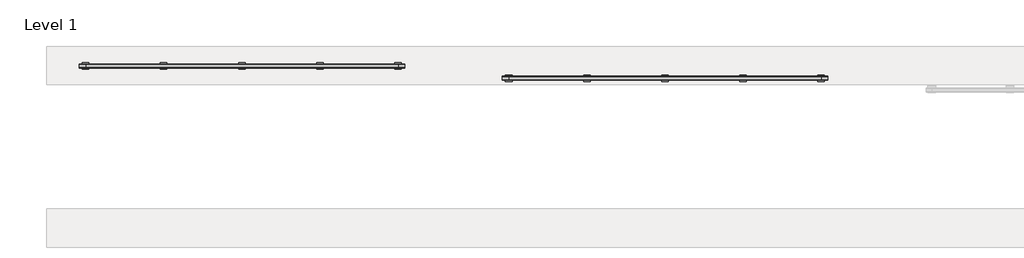
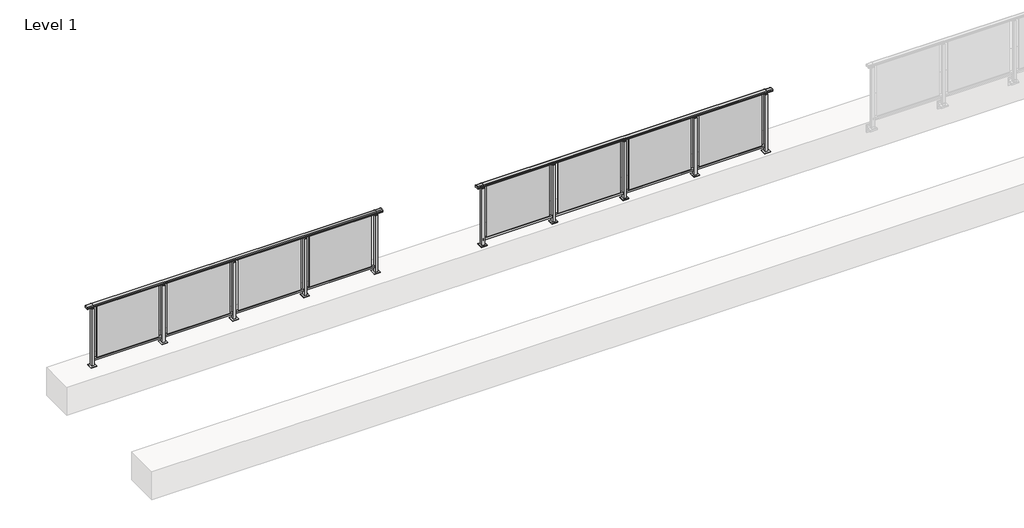
# One storey, part 45 of 64: 2 railings.
"""IFC4 building model written with IfcOpenShell, lengths in millimetres."""

from ifc_helpers import new_model, si_unit, frame, origin, origin_with_axes, place, context, project, spatial, polyline, circle_curve, outline, extrude, element, save
from ifc_brep_helpers import plane_surface, cylinder_surface, revolved_surface, advanced_brep

model = new_model("IFC4")

# Units and contexts
model_context = context("Model", 3, world=origin())
ifc_project = project(units=[si_unit("LENGTHUNIT", "METRE", prefix="MILLI")], contexts=[model_context])

# Site, building, storey
site = spatial("IfcSite", under=ifc_project)
building = spatial("IfcBuilding", under=site)
storey = spatial("IfcBuildingStorey", under=building, Name="Level 1", Elevation=0.0)

# Railings
placement = place(None, origin())
element("IfcRailing", 1, at=placement, inside=storey, context=model_context, shape_type="SolidModel", body=[
    advanced_brep(
    [(29900.0, 17715.3633756, 1095.6691182), (29900.0, 17720.1846828, 1081.1334092), (29900.0, 17719.2413744, 1069.2539035), (29900.0, 17721.1364177, 1061.4863007), (29900.0, 17719.4894799, 1060.384124), (29900.0, 17719.4894799, 1062.0), (29900.0, 17660.8798858, 1062.0), (29900.0, 17660.8798858, 1060.384124), (29900.0, 17659.232948, 1061.4863007), (29900.0, 17661.1279912, 1069.2539035), (29900.0, 17660.1846828, 1081.1334092), (29900.0, 17665.00599, 1095.6691182), (34900.0, 17715.3633756, 1095.6691182), (34900.0, 17665.00599, 1095.6691182), (34900.0, 17660.1846828, 1081.1334092), (34900.0, 17661.1279912, 1069.2539035), (34900.0, 17659.232948, 1061.4863007), (34900.0, 17660.8798858, 1060.384124), (34900.0, 17660.8798858, 1062.0), (34900.0, 17719.4894799, 1062.0), (34900.0, 17719.4894799, 1060.384124), (34900.0, 17721.1364177, 1061.4863007), (34900.0, 17719.2413744, 1069.2539035), (34900.0, 17720.1846828, 1081.1334092), (30000.0, 17715.3633756, 1095.6691182), (30000.0, 17720.1846828, 1081.1334092), (30000.0, 17719.2413744, 1069.2539035), (30000.0, 17721.1364177, 1061.4863007), (30000.0, 17719.4894799, 1060.384124), (30000.0, 17719.4894799, 1062.0), (30000.0, 17660.8798858, 1062.0), (30000.0, 17660.8798858, 1060.384124), (30000.0, 17659.232948, 1061.4863007), (30000.0, 17661.1279912, 1069.2539035), (30000.0, 17660.1846828, 1081.1334092), (30000.0, 17665.00599, 1095.6691182), (34800.0, 17715.3633756, 1095.6691182), (34800.0, 17720.1846828, 1081.1334092), (34800.0, 17719.2413744, 1069.2539035), (34800.0, 17721.1364177, 1061.4863007), (34800.0, 17719.4894799, 1060.384124), (34800.0, 17719.4894799, 1062.0), (34800.0, 17660.8798858, 1062.0), (34800.0, 17660.8798858, 1060.384124), (34800.0, 17659.232948, 1061.4863007), (34800.0, 17661.1279912, 1069.2539035), (34800.0, 17660.1846828, 1081.1334092), (34800.0, 17665.00599, 1095.6691182)],
    [
        (0, 1, circle_curve(frame((29900.0, 17712.1223845, 1086.526686), z_axis=(-1.0, 0.0, 0.0), x_axis=(0.0, -1.0, 0.0)), 9.6999015)),
        (1, 2, circle_curve(frame((29900.0, 17737.7252545, 1073.7633709), z_axis=(1.0, 0.0, 0.0), x_axis=(0.0, -1.0, 0.0)), 19.0260117)),
        (2, 3),
        (3, 4, circle_curve(frame((29900.0, 17720.2772073, 1060.9886194), z_axis=(-1.0, 0.0, 0.0), x_axis=(0.0, -1.0, 0.0)), 0.9929396)),
        (4, 5),
        (5, 6),
        (6, 7),
        (7, 8, circle_curve(frame((29900.0, 17660.0921584, 1060.9886194), z_axis=(-1.0, 0.0, 0.0), x_axis=(0.0, 1.0, 0.0)), 0.9929396)),
        (8, 9),
        (9, 10, circle_curve(frame((29900.0, 17642.6441111, 1073.7633709), z_axis=(1.0, 0.0, 0.0), x_axis=(0.0, 1.0, 0.0)), 19.0260117)),
        (10, 11, circle_curve(frame((29900.0, 17668.2469812, 1086.526686), z_axis=(-1.0, 0.0, 0.0), x_axis=(0.0, 1.0, 0.0)), 9.6999015)),
        (11, 0, circle_curve(frame((29900.0, 17690.1846828, 1024.6431628), z_axis=(-1.0, 0.0, 0.0), x_axis=(0.0, 1.0, 0.0)), 75.3568372)),
        (12, 13, circle_curve(frame((34900.0, 17690.1846828, 1024.6431628), z_axis=(1.0, 0.0, 0.0), x_axis=(0.0, 1.0, 0.0)), 75.3568372)),
        (13, 14, circle_curve(frame((34900.0, 17668.2469812, 1086.526686), z_axis=(1.0, 0.0, 0.0), x_axis=(0.0, 1.0, 0.0)), 9.6999015)),
        (14, 15, circle_curve(frame((34900.0, 17642.6441111, 1073.7633709), z_axis=(-1.0, 0.0, 0.0), x_axis=(0.0, 1.0, 0.0)), 19.0260117)),
        (15, 16),
        (16, 17, circle_curve(frame((34900.0, 17660.0921584, 1060.9886194), z_axis=(1.0, 0.0, 0.0), x_axis=(0.0, 1.0, 0.0)), 0.9929396)),
        (17, 18),
        (18, 19),
        (19, 20),
        (20, 21, circle_curve(frame((34900.0, 17720.2772073, 1060.9886194), z_axis=(1.0, 0.0, 0.0), x_axis=(0.0, -1.0, 0.0)), 0.9929396)),
        (21, 22),
        (22, 23, circle_curve(frame((34900.0, 17737.7252545, 1073.7633709), z_axis=(-1.0, 0.0, 0.0), x_axis=(0.0, -1.0, 0.0)), 19.0260117)),
        (23, 12, circle_curve(frame((34900.0, 17712.1223845, 1086.526686), z_axis=(1.0, 0.0, 0.0), x_axis=(0.0, -1.0, 0.0)), 9.6999015)),
        (0, 24),
        (24, 25, circle_curve(frame((30000.0, 17712.1223845, 1086.526686), z_axis=(-1.0, 0.0, 0.0), x_axis=(0.0, -1.0, 0.0)), 9.6999015)),
        (25, 1),
        (25, 26, circle_curve(frame((30000.0, 17737.7252545, 1073.7633709), z_axis=(1.0, 0.0, 0.0), x_axis=(0.0, -1.0, 0.0)), 19.0260117)),
        (26, 2),
        (26, 27),
        (27, 3),
        (27, 28, circle_curve(frame((30000.0, 17720.2772073, 1060.9886194), z_axis=(-1.0, 0.0, 0.0), x_axis=(0.0, -1.0, 0.0)), 0.9929396)),
        (28, 4),
        (28, 29),
        (29, 5),
        (29, 30),
        (30, 6),
        (30, 31),
        (31, 7),
        (31, 32, circle_curve(frame((30000.0, 17660.0921584, 1060.9886194), z_axis=(-1.0, 0.0, 0.0), x_axis=(0.0, 1.0, 0.0)), 0.9929396)),
        (32, 8),
        (32, 33),
        (33, 9),
        (33, 34, circle_curve(frame((30000.0, 17642.6441111, 1073.7633709), z_axis=(1.0, 0.0, 0.0), x_axis=(0.0, 1.0, 0.0)), 19.0260117)),
        (34, 10),
        (34, 35, circle_curve(frame((30000.0, 17668.2469812, 1086.526686), z_axis=(-1.0, 0.0, 0.0), x_axis=(0.0, 1.0, 0.0)), 9.6999015)),
        (35, 11),
        (35, 24, circle_curve(frame((30000.0, 17690.1846828, 1024.6431628), z_axis=(-1.0, 0.0, 0.0), x_axis=(0.0, 1.0, 0.0)), 75.3568372)),
        (24, 36),
        (36, 37, circle_curve(frame((34800.0, 17712.1223845, 1086.526686), z_axis=(-1.0, 0.0, 0.0), x_axis=(0.0, -1.0, 0.0)), 9.6999015)),
        (37, 25),
        (37, 38, circle_curve(frame((34800.0, 17737.7252545, 1073.7633709), z_axis=(1.0, 0.0, 0.0), x_axis=(0.0, -1.0, 0.0)), 19.0260117)),
        (38, 26),
        (38, 39),
        (39, 27),
        (39, 40, circle_curve(frame((34800.0, 17720.2772073, 1060.9886194), z_axis=(-1.0, 0.0, 0.0), x_axis=(0.0, -1.0, 0.0)), 0.9929396)),
        (40, 28),
        (40, 41),
        (41, 29),
        (41, 42),
        (42, 30),
        (42, 43),
        (43, 31),
        (43, 44, circle_curve(frame((34800.0, 17660.0921584, 1060.9886194), z_axis=(-1.0, 0.0, 0.0), x_axis=(0.0, 1.0, 0.0)), 0.9929396)),
        (44, 32),
        (44, 45),
        (45, 33),
        (45, 46, circle_curve(frame((34800.0, 17642.6441111, 1073.7633709), z_axis=(1.0, 0.0, 0.0), x_axis=(0.0, 1.0, 0.0)), 19.0260117)),
        (46, 34),
        (46, 47, circle_curve(frame((34800.0, 17668.2469812, 1086.526686), z_axis=(-1.0, 0.0, 0.0), x_axis=(0.0, 1.0, 0.0)), 9.6999015)),
        (47, 35),
        (47, 36, circle_curve(frame((34800.0, 17690.1846828, 1024.6431628), z_axis=(-1.0, 0.0, 0.0), x_axis=(0.0, 1.0, 0.0)), 75.3568372)),
        (36, 12),
        (23, 37),
        (22, 38),
        (21, 39),
        (20, 40),
        (19, 41),
        (18, 42),
        (17, 43),
        (16, 44),
        (15, 45),
        (14, 46),
        (13, 47),
    ],
    [
        plane_surface(frame((29900.0, 17690.1846828, 1100.0), z_axis=(-1.0, 0.0, 0.0), x_axis=(0.0, 1.0, 0.0))),
        plane_surface(frame((34900.0, 17690.1846828, 1100.0), z_axis=(1.0, 0.0, 0.0), x_axis=(0.0, 1.0, 0.0))),
        cylinder_surface(frame((29900.0, 17712.1223845, 1086.526686), z_axis=(-1.0, 0.0, 0.0), x_axis=(0.0, -1.0, 0.0)), 9.6999015),
        revolved_surface(polyline([(30000.0, 17718.6992428, 1073.7633709), (29900.0, 17718.6992428, 1073.7633709)]), (29900.0, 17737.7252545, 1073.7633709), (1.0, 0.0, 0.0)),
        plane_surface(frame((29900.0, 17719.2413744, 1069.2539035), z_axis=(0.0, 0.9715057689301543, 0.2370159086125439), x_axis=(1.0, 0.0, 0.0))),
        cylinder_surface(frame((29900.0, 17720.2772073, 1060.9886194), z_axis=(-1.0, 0.0, 0.0), x_axis=(0.0, -1.0, 0.0)), 0.9929396),
        plane_surface(frame((29900.0, 17719.4894799, 1060.384124), z_axis=(0.0, -1.0, 0.0), x_axis=(1.0, 0.0, 0.0))),
        plane_surface(frame((29900.0, 17719.4894799, 1062.0), z_axis=(0.0, 0.0, -1.0), x_axis=(1.0, 0.0, 0.0))),
        plane_surface(frame((29900.0, 17660.8798858, 1062.0), z_axis=(0.0, 1.0, 0.0), x_axis=(1.0, 0.0, 0.0))),
        cylinder_surface(frame((29900.0, 17660.0921584, 1060.9886194), z_axis=(-1.0, 0.0, 0.0), x_axis=(0.0, 1.0, 0.0)), 0.9929396),
        plane_surface(frame((29900.0, 17659.232948, 1061.4863007), z_axis=(0.0, -0.9715057689301543, 0.2370159086125439), x_axis=(1.0, 0.0, 0.0))),
        revolved_surface(polyline([(30000.0, 17661.6701228, 1073.7633709), (29900.0, 17661.6701228, 1073.7633709)]), (29900.0, 17642.6441111, 1073.7633709), (1.0, 0.0, 0.0)),
        cylinder_surface(frame((29900.0, 17668.2469812, 1086.526686), z_axis=(-1.0, 0.0, 0.0), x_axis=(0.0, 1.0, 0.0)), 9.6999015),
        cylinder_surface(frame((29900.0, 17690.1846828, 1024.6431628), z_axis=(-1.0, 0.0, 0.0), x_axis=(0.0, 1.0, 0.0)), 75.3568372),
        cylinder_surface(frame((30000.0, 17712.1223845, 1086.526686), z_axis=(-1.0, 0.0, 0.0), x_axis=(0.0, -1.0, 0.0)), 9.6999015),
        revolved_surface(polyline([(34800.0, 17718.6992428, 1073.7633709), (30000.0, 17718.6992428, 1073.7633709)]), (30000.0, 17737.7252545, 1073.7633709), (1.0, 0.0, 0.0)),
        plane_surface(frame((30000.0, 17719.2413744, 1069.2539035), z_axis=(0.0, 0.9715057689301543, 0.2370159086125439), x_axis=(1.0, 0.0, 0.0))),
        cylinder_surface(frame((30000.0, 17720.2772073, 1060.9886194), z_axis=(-1.0, 0.0, 0.0), x_axis=(0.0, -1.0, 0.0)), 0.9929396),
        plane_surface(frame((30000.0, 17719.4894799, 1060.384124), z_axis=(0.0, -1.0, 0.0), x_axis=(1.0, 0.0, 0.0))),
        plane_surface(frame((30000.0, 17719.4894799, 1062.0), z_axis=(0.0, 0.0, -1.0), x_axis=(1.0, 0.0, 0.0))),
        plane_surface(frame((30000.0, 17660.8798858, 1062.0), z_axis=(0.0, 1.0, 0.0), x_axis=(1.0, 0.0, 0.0))),
        cylinder_surface(frame((30000.0, 17660.0921584, 1060.9886194), z_axis=(-1.0, 0.0, 0.0), x_axis=(0.0, 1.0, 0.0)), 0.9929396),
        plane_surface(frame((30000.0, 17659.232948, 1061.4863007), z_axis=(0.0, -0.9715057689301543, 0.2370159086125439), x_axis=(1.0, 0.0, 0.0))),
        revolved_surface(polyline([(34800.0, 17661.6701228, 1073.7633709), (30000.0, 17661.6701228, 1073.7633709)]), (30000.0, 17642.6441111, 1073.7633709), (1.0, 0.0, 0.0)),
        cylinder_surface(frame((30000.0, 17668.2469812, 1086.526686), z_axis=(-1.0, 0.0, 0.0), x_axis=(0.0, 1.0, 0.0)), 9.6999015),
        cylinder_surface(frame((30000.0, 17690.1846828, 1024.6431628), z_axis=(-1.0, 0.0, 0.0), x_axis=(0.0, 1.0, 0.0)), 75.3568372),
        cylinder_surface(frame((34800.0, 17712.1223845, 1086.526686), z_axis=(-1.0, 0.0, 0.0), x_axis=(0.0, -1.0, 0.0)), 9.6999015),
        revolved_surface(polyline([(34900.0, 17718.6992428, 1073.7633709), (34800.0, 17718.6992428, 1073.7633709)]), (34800.0, 17737.7252545, 1073.7633709), (1.0, 0.0, 0.0)),
        plane_surface(frame((34800.0, 17719.2413744, 1069.2539035), z_axis=(0.0, 0.9715057689301543, 0.2370159086125439), x_axis=(1.0, 0.0, 0.0))),
        cylinder_surface(frame((34800.0, 17720.2772073, 1060.9886194), z_axis=(-1.0, 0.0, 0.0), x_axis=(0.0, -1.0, 0.0)), 0.9929396),
        plane_surface(frame((34800.0, 17719.4894799, 1060.384124), z_axis=(0.0, -1.0, 0.0), x_axis=(1.0, 0.0, 0.0))),
        plane_surface(frame((34800.0, 17719.4894799, 1062.0), z_axis=(0.0, 0.0, -1.0), x_axis=(1.0, 0.0, 0.0))),
        plane_surface(frame((34800.0, 17660.8798858, 1062.0), z_axis=(0.0, 1.0, 0.0), x_axis=(1.0, 0.0, 0.0))),
        cylinder_surface(frame((34800.0, 17660.0921584, 1060.9886194), z_axis=(-1.0, 0.0, 0.0), x_axis=(0.0, 1.0, 0.0)), 0.9929396),
        plane_surface(frame((34800.0, 17659.232948, 1061.4863007), z_axis=(0.0, -0.9715057689301543, 0.2370159086125439), x_axis=(1.0, 0.0, 0.0))),
        revolved_surface(polyline([(34900.0, 17661.6701228, 1073.7633709), (34800.0, 17661.6701228, 1073.7633709)]), (34800.0, 17642.6441111, 1073.7633709), (1.0, 0.0, 0.0)),
        cylinder_surface(frame((34800.0, 17668.2469812, 1086.526686), z_axis=(-1.0, 0.0, 0.0), x_axis=(0.0, 1.0, 0.0)), 9.6999015),
        cylinder_surface(frame((34800.0, 17690.1846828, 1024.6431628), z_axis=(-1.0, 0.0, 0.0), x_axis=(0.0, 1.0, 0.0)), 75.3568372),
    ],
    [
        (0, [[1, 2, 3, 4, 5, 6, 7, 8, 9, 10, 11, 12]]),
        (1, [[13, 14, 15, 16, 17, 18, 19, 20, 21, 22, 23, 24]]),
        (2, [[-1, 25, 26, 27]]),
        (3, [[-2, -27, 28, 29]]),
        (4, [[-3, -29, 30, 31]]),
        (5, [[-4, -31, 32, 33]]),
        (6, [[-5, -33, 34, 35]]),
        (7, [[-6, -35, 36, 37]]),
        (8, [[-7, -37, 38, 39]]),
        (9, [[-8, -39, 40, 41]]),
        (10, [[-9, -41, 42, 43]]),
        (11, [[-10, -43, 44, 45]]),
        (12, [[-11, -45, 46, 47]]),
        (13, [[-12, -47, 48, -25]]),
        (14, [[-26, 49, 50, 51]]),
        (15, [[-28, -51, 52, 53]]),
        (16, [[-30, -53, 54, 55]]),
        (17, [[-32, -55, 56, 57]]),
        (18, [[-34, -57, 58, 59]]),
        (19, [[-36, -59, 60, 61]]),
        (20, [[-38, -61, 62, 63]]),
        (21, [[-40, -63, 64, 65]]),
        (22, [[-42, -65, 66, 67]]),
        (23, [[-44, -67, 68, 69]]),
        (24, [[-46, -69, 70, 71]]),
        (25, [[-48, -71, 72, -49]]),
        (26, [[-50, 73, -24, 74]]),
        (27, [[-52, -74, -23, 75]]),
        (28, [[-54, -75, -22, 76]]),
        (29, [[-56, -76, -21, 77]]),
        (30, [[-58, -77, -20, 78]]),
        (31, [[-60, -78, -19, 79]]),
        (32, [[-62, -79, -18, 80]]),
        (33, [[-64, -80, -17, 81]]),
        (34, [[-66, -81, -16, 82]]),
        (35, [[-68, -82, -15, 83]]),
        (36, [[-70, -83, -14, 84]]),
        (37, [[-72, -84, -13, -73]]),
    ],
),
    extrude(outline(polyline([(30000.0, 17672.6846828), (30000.0, 17707.6846828), (34800.0, 17707.6846828), (34800.0, 17672.6846828), (30000.0, 17672.6846828)])), frame((0.0, 0.0, 95.0), z_axis=(0.0, 0.0, 1.0), x_axis=(1.0, 0.0, 0.0)), (0.0, 0.0, 1.0), 30.0),
    extrude(outline(polyline([(33672.5, 17691.9598727), (34727.5, 17691.9598727), (34727.5, 17685.9598727), (33672.5, 17685.9598727), (33672.5, 17691.9598727)])), frame((0.0, 0.0, 125.0), z_axis=(0.0, 0.0, 1.0), x_axis=(1.0, 0.0, 0.0)), (0.0, 0.0, 1.0), 930.0),
    extrude(outline(polyline([(33610.0, 17680.1846828), (33590.0, 17680.1846828), (33590.0, 17700.1846828), (33610.0, 17700.1846828), (33610.0, 17680.1846828)])), frame((0.0, 0.0, 1035.0), z_axis=(0.0, 0.0, 1.0), x_axis=(1.0, 0.0, 0.0)), (0.0, 0.0, 1.0), 20.0),
    extrude(outline(polyline([(33622.5, 17667.6846828), (33577.5, 17667.6846828), (33577.5, 17712.6846828), (33622.5, 17712.6846828), (33622.5, 17667.6846828)])), frame((0.0, 0.0, 1027.0), z_axis=(0.0, 0.0, 1.0), x_axis=(1.0, 0.0, 0.0)), (0.0, 0.0, 1.0), 8.0),
    extrude(outline(polyline([(33650.0, 17640.1846828), (33550.0, 17640.1846828), (33550.0, 17740.1846828), (33650.0, 17740.1846828), (33650.0, 17640.1846828)])), origin_with_axes(), (0.0, 0.0, 1.0), 12.0),
    extrude(outline(polyline([(33622.5, 17667.6846828), (33577.5, 17667.6846828), (33577.5, 17712.6846828), (33622.5, 17712.6846828), (33622.5, 17667.6846828)])), frame((0.0, 0.0, 12.0), z_axis=(0.0, 0.0, 1.0), x_axis=(1.0, 0.0, 0.0)), (0.0, 0.0, 1.0), 1015.0),
    extrude(outline(polyline([(32472.5, 17691.9598727), (33527.5, 17691.9598727), (33527.5, 17685.9598727), (32472.5, 17685.9598727), (32472.5, 17691.9598727)])), frame((0.0, 0.0, 125.0), z_axis=(0.0, 0.0, 1.0), x_axis=(1.0, 0.0, 0.0)), (0.0, 0.0, 1.0), 930.0),
    extrude(outline(polyline([(32410.0, 17680.1846828), (32390.0, 17680.1846828), (32390.0, 17700.1846828), (32410.0, 17700.1846828), (32410.0, 17680.1846828)])), frame((0.0, 0.0, 1035.0), z_axis=(0.0, 0.0, 1.0), x_axis=(1.0, 0.0, 0.0)), (0.0, 0.0, 1.0), 20.0),
    extrude(outline(polyline([(32422.5, 17667.6846828), (32377.5, 17667.6846828), (32377.5, 17712.6846828), (32422.5, 17712.6846828), (32422.5, 17667.6846828)])), frame((0.0, 0.0, 1027.0), z_axis=(0.0, 0.0, 1.0), x_axis=(1.0, 0.0, 0.0)), (0.0, 0.0, 1.0), 8.0),
    extrude(outline(polyline([(32450.0, 17640.1846828), (32350.0, 17640.1846828), (32350.0, 17740.1846828), (32450.0, 17740.1846828), (32450.0, 17640.1846828)])), origin_with_axes(), (0.0, 0.0, 1.0), 12.0),
    extrude(outline(polyline([(32422.5, 17667.6846828), (32377.5, 17667.6846828), (32377.5, 17712.6846828), (32422.5, 17712.6846828), (32422.5, 17667.6846828)])), frame((0.0, 0.0, 12.0), z_axis=(0.0, 0.0, 1.0), x_axis=(1.0, 0.0, 0.0)), (0.0, 0.0, 1.0), 1015.0),
    extrude(outline(polyline([(31272.5, 17691.9598727), (32327.5, 17691.9598727), (32327.5, 17685.9598727), (31272.5, 17685.9598727), (31272.5, 17691.9598727)])), frame((0.0, 0.0, 125.0), z_axis=(0.0, 0.0, 1.0), x_axis=(1.0, 0.0, 0.0)), (0.0, 0.0, 1.0), 930.0),
    extrude(outline(polyline([(31210.0, 17680.1846828), (31190.0, 17680.1846828), (31190.0, 17700.1846828), (31210.0, 17700.1846828), (31210.0, 17680.1846828)])), frame((0.0, 0.0, 1035.0), z_axis=(0.0, 0.0, 1.0), x_axis=(1.0, 0.0, 0.0)), (0.0, 0.0, 1.0), 20.0),
    extrude(outline(polyline([(31222.5, 17667.6846828), (31177.5, 17667.6846828), (31177.5, 17712.6846828), (31222.5, 17712.6846828), (31222.5, 17667.6846828)])), frame((0.0, 0.0, 1027.0), z_axis=(0.0, 0.0, 1.0), x_axis=(1.0, 0.0, 0.0)), (0.0, 0.0, 1.0), 8.0),
    extrude(outline(polyline([(31250.0, 17640.1846828), (31150.0, 17640.1846828), (31150.0, 17740.1846828), (31250.0, 17740.1846828), (31250.0, 17640.1846828)])), origin_with_axes(), (0.0, 0.0, 1.0), 12.0),
    extrude(outline(polyline([(31222.5, 17667.6846828), (31177.5, 17667.6846828), (31177.5, 17712.6846828), (31222.5, 17712.6846828), (31222.5, 17667.6846828)])), frame((0.0, 0.0, 12.0), z_axis=(0.0, 0.0, 1.0), x_axis=(1.0, 0.0, 0.0)), (0.0, 0.0, 1.0), 1015.0),
    extrude(outline(polyline([(30072.5, 17691.9598727), (31127.5, 17691.9598727), (31127.5, 17685.9598727), (30072.5, 17685.9598727), (30072.5, 17691.9598727)])), frame((0.0, 0.0, 125.0), z_axis=(0.0, 0.0, 1.0), x_axis=(1.0, 0.0, 0.0)), (0.0, 0.0, 1.0), 930.0),
    extrude(outline(polyline([(34810.0, 17680.1846828), (34790.0, 17680.1846828), (34790.0, 17700.1846828), (34810.0, 17700.1846828), (34810.0, 17680.1846828)])), frame((0.0, 0.0, 1035.0), z_axis=(0.0, 0.0, 1.0), x_axis=(1.0, 0.0, 0.0)), (0.0, 0.0, 1.0), 20.0),
    extrude(outline(polyline([(34822.5, 17667.6846828), (34777.5, 17667.6846828), (34777.5, 17712.6846828), (34822.5, 17712.6846828), (34822.5, 17667.6846828)])), frame((0.0, 0.0, 1027.0), z_axis=(0.0, 0.0, 1.0), x_axis=(1.0, 0.0, 0.0)), (0.0, 0.0, 1.0), 8.0),
    extrude(outline(polyline([(34850.0, 17640.1846828), (34750.0, 17640.1846828), (34750.0, 17740.1846828), (34850.0, 17740.1846828), (34850.0, 17640.1846828)])), origin_with_axes(), (0.0, 0.0, 1.0), 12.0),
    extrude(outline(polyline([(34822.5, 17667.6846828), (34777.5, 17667.6846828), (34777.5, 17712.6846828), (34822.5, 17712.6846828), (34822.5, 17667.6846828)])), frame((0.0, 0.0, 12.0), z_axis=(0.0, 0.0, 1.0), x_axis=(1.0, 0.0, 0.0)), (0.0, 0.0, 1.0), 1015.0),
    extrude(outline(polyline([(30010.0, 17680.1846828), (29990.0, 17680.1846828), (29990.0, 17700.1846828), (30010.0, 17700.1846828), (30010.0, 17680.1846828)])), frame((0.0, 0.0, 1035.0), z_axis=(0.0, 0.0, 1.0), x_axis=(1.0, 0.0, 0.0)), (0.0, 0.0, 1.0), 20.0),
    extrude(outline(polyline([(30022.5, 17667.6846828), (29977.5, 17667.6846828), (29977.5, 17712.6846828), (30022.5, 17712.6846828), (30022.5, 17667.6846828)])), frame((0.0, 0.0, 1027.0), z_axis=(0.0, 0.0, 1.0), x_axis=(1.0, 0.0, 0.0)), (0.0, 0.0, 1.0), 8.0),
    extrude(outline(polyline([(30050.0, 17640.1846828), (29950.0, 17640.1846828), (29950.0, 17740.1846828), (30050.0, 17740.1846828), (30050.0, 17640.1846828)])), origin_with_axes(), (0.0, 0.0, 1.0), 12.0),
    extrude(outline(polyline([(30022.5, 17667.6846828), (29977.5, 17667.6846828), (29977.5, 17712.6846828), (30022.5, 17712.6846828), (30022.5, 17667.6846828)])), frame((0.0, 0.0, 12.0), z_axis=(0.0, 0.0, 1.0), x_axis=(1.0, 0.0, 0.0)), (0.0, 0.0, 1.0), 1015.0),
])
element("IfcRailing", 2, at=placement, inside=storey, context=model_context, shape_type="SolidModel", body=[
    advanced_brep(
    [(36400.0, 17525.3633756, 1095.6691182), (36400.0, 17530.1846828, 1081.1334092), (36400.0, 17529.2413744, 1069.2539035), (36400.0, 17531.1364177, 1061.4863007), (36400.0, 17529.4894799, 1060.384124), (36400.0, 17529.4894799, 1062.0), (36400.0, 17470.8798858, 1062.0), (36400.0, 17470.8798858, 1060.384124), (36400.0, 17469.232948, 1061.4863007), (36400.0, 17471.1279912, 1069.2539035), (36400.0, 17470.1846828, 1081.1334092), (36400.0, 17475.00599, 1095.6691182), (41400.0, 17525.3633756, 1095.6691182), (41400.0, 17475.00599, 1095.6691182), (41400.0, 17470.1846828, 1081.1334092), (41400.0, 17471.1279912, 1069.2539035), (41400.0, 17469.232948, 1061.4863007), (41400.0, 17470.8798858, 1060.384124), (41400.0, 17470.8798858, 1062.0), (41400.0, 17529.4894799, 1062.0), (41400.0, 17529.4894799, 1060.384124), (41400.0, 17531.1364177, 1061.4863007), (41400.0, 17529.2413744, 1069.2539035), (41400.0, 17530.1846828, 1081.1334092), (36500.0, 17525.3633756, 1095.6691182), (36500.0, 17530.1846828, 1081.1334092), (36500.0, 17529.2413744, 1069.2539035), (36500.0, 17531.1364177, 1061.4863007), (36500.0, 17529.4894799, 1060.384124), (36500.0, 17529.4894799, 1062.0), (36500.0, 17470.8798858, 1062.0), (36500.0, 17470.8798858, 1060.384124), (36500.0, 17469.232948, 1061.4863007), (36500.0, 17471.1279912, 1069.2539035), (36500.0, 17470.1846828, 1081.1334092), (36500.0, 17475.00599, 1095.6691182), (41300.0, 17525.3633756, 1095.6691182), (41300.0, 17530.1846828, 1081.1334092), (41300.0, 17529.2413744, 1069.2539035), (41300.0, 17531.1364177, 1061.4863007), (41300.0, 17529.4894799, 1060.384124), (41300.0, 17529.4894799, 1062.0), (41300.0, 17470.8798858, 1062.0), (41300.0, 17470.8798858, 1060.384124), (41300.0, 17469.232948, 1061.4863007), (41300.0, 17471.1279912, 1069.2539035), (41300.0, 17470.1846828, 1081.1334092), (41300.0, 17475.00599, 1095.6691182)],
    [
        (0, 1, circle_curve(frame((36400.0, 17522.1223845, 1086.526686), z_axis=(-1.0, 0.0, 0.0), x_axis=(0.0, -1.0, 0.0)), 9.6999015)),
        (1, 2, circle_curve(frame((36400.0, 17547.7252545, 1073.7633709), z_axis=(1.0, 0.0, 0.0), x_axis=(0.0, -1.0, 0.0)), 19.0260117)),
        (2, 3),
        (3, 4, circle_curve(frame((36400.0, 17530.2772073, 1060.9886194), z_axis=(-1.0, 0.0, 0.0), x_axis=(0.0, -1.0, 0.0)), 0.9929396)),
        (4, 5),
        (5, 6),
        (6, 7),
        (7, 8, circle_curve(frame((36400.0, 17470.0921584, 1060.9886194), z_axis=(-1.0, 0.0, 0.0), x_axis=(0.0, 1.0, 0.0)), 0.9929396)),
        (8, 9),
        (9, 10, circle_curve(frame((36400.0, 17452.6441111, 1073.7633709), z_axis=(1.0, 0.0, 0.0), x_axis=(0.0, 1.0, 0.0)), 19.0260117)),
        (10, 11, circle_curve(frame((36400.0, 17478.2469812, 1086.526686), z_axis=(-1.0, 0.0, 0.0), x_axis=(0.0, 1.0, 0.0)), 9.6999015)),
        (11, 0, circle_curve(frame((36400.0, 17500.1846828, 1024.6431628), z_axis=(-1.0, 0.0, 0.0), x_axis=(0.0, 1.0, 0.0)), 75.3568372)),
        (12, 13, circle_curve(frame((41400.0, 17500.1846828, 1024.6431628), z_axis=(1.0, 0.0, 0.0), x_axis=(0.0, 1.0, 0.0)), 75.3568372)),
        (13, 14, circle_curve(frame((41400.0, 17478.2469812, 1086.526686), z_axis=(1.0, 0.0, 0.0), x_axis=(0.0, 1.0, 0.0)), 9.6999015)),
        (14, 15, circle_curve(frame((41400.0, 17452.6441111, 1073.7633709), z_axis=(-1.0, 0.0, 0.0), x_axis=(0.0, 1.0, 0.0)), 19.0260117)),
        (15, 16),
        (16, 17, circle_curve(frame((41400.0, 17470.0921584, 1060.9886194), z_axis=(1.0, 0.0, 0.0), x_axis=(0.0, 1.0, 0.0)), 0.9929396)),
        (17, 18),
        (18, 19),
        (19, 20),
        (20, 21, circle_curve(frame((41400.0, 17530.2772073, 1060.9886194), z_axis=(1.0, 0.0, 0.0), x_axis=(0.0, -1.0, 0.0)), 0.9929396)),
        (21, 22),
        (22, 23, circle_curve(frame((41400.0, 17547.7252545, 1073.7633709), z_axis=(-1.0, 0.0, 0.0), x_axis=(0.0, -1.0, 0.0)), 19.0260117)),
        (23, 12, circle_curve(frame((41400.0, 17522.1223845, 1086.526686), z_axis=(1.0, 0.0, 0.0), x_axis=(0.0, -1.0, 0.0)), 9.6999015)),
        (0, 24),
        (24, 25, circle_curve(frame((36500.0, 17522.1223845, 1086.526686), z_axis=(-1.0, 0.0, 0.0), x_axis=(0.0, -1.0, 0.0)), 9.6999015)),
        (25, 1),
        (25, 26, circle_curve(frame((36500.0, 17547.7252545, 1073.7633709), z_axis=(1.0, 0.0, 0.0), x_axis=(0.0, -1.0, 0.0)), 19.0260117)),
        (26, 2),
        (26, 27),
        (27, 3),
        (27, 28, circle_curve(frame((36500.0, 17530.2772073, 1060.9886194), z_axis=(-1.0, 0.0, 0.0), x_axis=(0.0, -1.0, 0.0)), 0.9929396)),
        (28, 4),
        (28, 29),
        (29, 5),
        (29, 30),
        (30, 6),
        (30, 31),
        (31, 7),
        (31, 32, circle_curve(frame((36500.0, 17470.0921584, 1060.9886194), z_axis=(-1.0, 0.0, 0.0), x_axis=(0.0, 1.0, 0.0)), 0.9929396)),
        (32, 8),
        (32, 33),
        (33, 9),
        (33, 34, circle_curve(frame((36500.0, 17452.6441111, 1073.7633709), z_axis=(1.0, 0.0, 0.0), x_axis=(0.0, 1.0, 0.0)), 19.0260117)),
        (34, 10),
        (34, 35, circle_curve(frame((36500.0, 17478.2469812, 1086.526686), z_axis=(-1.0, 0.0, 0.0), x_axis=(0.0, 1.0, 0.0)), 9.6999015)),
        (35, 11),
        (35, 24, circle_curve(frame((36500.0, 17500.1846828, 1024.6431628), z_axis=(-1.0, 0.0, 0.0), x_axis=(0.0, 1.0, 0.0)), 75.3568372)),
        (24, 36),
        (36, 37, circle_curve(frame((41300.0, 17522.1223845, 1086.526686), z_axis=(-1.0, 0.0, 0.0), x_axis=(0.0, -1.0, 0.0)), 9.6999015)),
        (37, 25),
        (37, 38, circle_curve(frame((41300.0, 17547.7252545, 1073.7633709), z_axis=(1.0, 0.0, 0.0), x_axis=(0.0, -1.0, 0.0)), 19.0260117)),
        (38, 26),
        (38, 39),
        (39, 27),
        (39, 40, circle_curve(frame((41300.0, 17530.2772073, 1060.9886194), z_axis=(-1.0, 0.0, 0.0), x_axis=(0.0, -1.0, 0.0)), 0.9929396)),
        (40, 28),
        (40, 41),
        (41, 29),
        (41, 42),
        (42, 30),
        (42, 43),
        (43, 31),
        (43, 44, circle_curve(frame((41300.0, 17470.0921584, 1060.9886194), z_axis=(-1.0, 0.0, 0.0), x_axis=(0.0, 1.0, 0.0)), 0.9929396)),
        (44, 32),
        (44, 45),
        (45, 33),
        (45, 46, circle_curve(frame((41300.0, 17452.6441111, 1073.7633709), z_axis=(1.0, 0.0, 0.0), x_axis=(0.0, 1.0, 0.0)), 19.0260117)),
        (46, 34),
        (46, 47, circle_curve(frame((41300.0, 17478.2469812, 1086.526686), z_axis=(-1.0, 0.0, 0.0), x_axis=(0.0, 1.0, 0.0)), 9.6999015)),
        (47, 35),
        (47, 36, circle_curve(frame((41300.0, 17500.1846828, 1024.6431628), z_axis=(-1.0, 0.0, 0.0), x_axis=(0.0, 1.0, 0.0)), 75.3568372)),
        (36, 12),
        (23, 37),
        (22, 38),
        (21, 39),
        (20, 40),
        (19, 41),
        (18, 42),
        (17, 43),
        (16, 44),
        (15, 45),
        (14, 46),
        (13, 47),
    ],
    [
        plane_surface(frame((36400.0, 17500.1846828, 1100.0), z_axis=(-1.0, 0.0, 0.0), x_axis=(0.0, 1.0, 0.0))),
        plane_surface(frame((41400.0, 17500.1846828, 1100.0), z_axis=(1.0, 0.0, 0.0), x_axis=(0.0, 1.0, 0.0))),
        cylinder_surface(frame((36400.0, 17522.1223845, 1086.526686), z_axis=(-1.0, 0.0, 0.0), x_axis=(0.0, -1.0, 0.0)), 9.6999015),
        revolved_surface(polyline([(36500.0, 17528.6992428, 1073.7633709), (36400.0, 17528.6992428, 1073.7633709)]), (36400.0, 17547.7252545, 1073.7633709), (1.0, 0.0, 0.0)),
        plane_surface(frame((36400.0, 17529.2413744, 1069.2539035), z_axis=(0.0, 0.9715057689301543, 0.2370159086125439), x_axis=(1.0, 0.0, 0.0))),
        cylinder_surface(frame((36400.0, 17530.2772073, 1060.9886194), z_axis=(-1.0, 0.0, 0.0), x_axis=(0.0, -1.0, 0.0)), 0.9929396),
        plane_surface(frame((36400.0, 17529.4894799, 1060.384124), z_axis=(0.0, -1.0, 0.0), x_axis=(1.0, 0.0, 0.0))),
        plane_surface(frame((36400.0, 17529.4894799, 1062.0), z_axis=(0.0, 0.0, -1.0), x_axis=(1.0, 0.0, 0.0))),
        plane_surface(frame((36400.0, 17470.8798858, 1062.0), z_axis=(0.0, 1.0, 0.0), x_axis=(1.0, 0.0, 0.0))),
        cylinder_surface(frame((36400.0, 17470.0921584, 1060.9886194), z_axis=(-1.0, 0.0, 0.0), x_axis=(0.0, 1.0, 0.0)), 0.9929396),
        plane_surface(frame((36400.0, 17469.232948, 1061.4863007), z_axis=(0.0, -0.9715057689301543, 0.2370159086125439), x_axis=(1.0, 0.0, 0.0))),
        revolved_surface(polyline([(36500.0, 17471.6701228, 1073.7633709), (36400.0, 17471.6701228, 1073.7633709)]), (36400.0, 17452.6441111, 1073.7633709), (1.0, 0.0, 0.0)),
        cylinder_surface(frame((36400.0, 17478.2469812, 1086.526686), z_axis=(-1.0, 0.0, 0.0), x_axis=(0.0, 1.0, 0.0)), 9.6999015),
        cylinder_surface(frame((36400.0, 17500.1846828, 1024.6431628), z_axis=(-1.0, 0.0, 0.0), x_axis=(0.0, 1.0, 0.0)), 75.3568372),
        cylinder_surface(frame((36500.0, 17522.1223845, 1086.526686), z_axis=(-1.0, 0.0, 0.0), x_axis=(0.0, -1.0, 0.0)), 9.6999015),
        revolved_surface(polyline([(41300.0, 17528.6992428, 1073.7633709), (36500.0, 17528.6992428, 1073.7633709)]), (36500.0, 17547.7252545, 1073.7633709), (1.0, 0.0, 0.0)),
        plane_surface(frame((36500.0, 17529.2413744, 1069.2539035), z_axis=(0.0, 0.9715057689301543, 0.2370159086125439), x_axis=(1.0, 0.0, 0.0))),
        cylinder_surface(frame((36500.0, 17530.2772073, 1060.9886194), z_axis=(-1.0, 0.0, 0.0), x_axis=(0.0, -1.0, 0.0)), 0.9929396),
        plane_surface(frame((36500.0, 17529.4894799, 1060.384124), z_axis=(0.0, -1.0, 0.0), x_axis=(1.0, 0.0, 0.0))),
        plane_surface(frame((36500.0, 17529.4894799, 1062.0), z_axis=(0.0, 0.0, -1.0), x_axis=(1.0, 0.0, 0.0))),
        plane_surface(frame((36500.0, 17470.8798858, 1062.0), z_axis=(0.0, 1.0, 0.0), x_axis=(1.0, 0.0, 0.0))),
        cylinder_surface(frame((36500.0, 17470.0921584, 1060.9886194), z_axis=(-1.0, 0.0, 0.0), x_axis=(0.0, 1.0, 0.0)), 0.9929396),
        plane_surface(frame((36500.0, 17469.232948, 1061.4863007), z_axis=(0.0, -0.9715057689301543, 0.2370159086125439), x_axis=(1.0, 0.0, 0.0))),
        revolved_surface(polyline([(41300.0, 17471.6701228, 1073.7633709), (36500.0, 17471.6701228, 1073.7633709)]), (36500.0, 17452.6441111, 1073.7633709), (1.0, 0.0, 0.0)),
        cylinder_surface(frame((36500.0, 17478.2469812, 1086.526686), z_axis=(-1.0, 0.0, 0.0), x_axis=(0.0, 1.0, 0.0)), 9.6999015),
        cylinder_surface(frame((36500.0, 17500.1846828, 1024.6431628), z_axis=(-1.0, 0.0, 0.0), x_axis=(0.0, 1.0, 0.0)), 75.3568372),
        cylinder_surface(frame((41300.0, 17522.1223845, 1086.526686), z_axis=(-1.0, 0.0, 0.0), x_axis=(0.0, -1.0, 0.0)), 9.6999015),
        revolved_surface(polyline([(41400.0, 17528.6992428, 1073.7633709), (41300.0, 17528.6992428, 1073.7633709)]), (41300.0, 17547.7252545, 1073.7633709), (1.0, 0.0, 0.0)),
        plane_surface(frame((41300.0, 17529.2413744, 1069.2539035), z_axis=(0.0, 0.9715057689301543, 0.2370159086125439), x_axis=(1.0, 0.0, 0.0))),
        cylinder_surface(frame((41300.0, 17530.2772073, 1060.9886194), z_axis=(-1.0, 0.0, 0.0), x_axis=(0.0, -1.0, 0.0)), 0.9929396),
        plane_surface(frame((41300.0, 17529.4894799, 1060.384124), z_axis=(0.0, -1.0, 0.0), x_axis=(1.0, 0.0, 0.0))),
        plane_surface(frame((41300.0, 17529.4894799, 1062.0), z_axis=(0.0, 0.0, -1.0), x_axis=(1.0, 0.0, 0.0))),
        plane_surface(frame((41300.0, 17470.8798858, 1062.0), z_axis=(0.0, 1.0, 0.0), x_axis=(1.0, 0.0, 0.0))),
        cylinder_surface(frame((41300.0, 17470.0921584, 1060.9886194), z_axis=(-1.0, 0.0, 0.0), x_axis=(0.0, 1.0, 0.0)), 0.9929396),
        plane_surface(frame((41300.0, 17469.232948, 1061.4863007), z_axis=(0.0, -0.9715057689301543, 0.2370159086125439), x_axis=(1.0, 0.0, 0.0))),
        revolved_surface(polyline([(41400.0, 17471.6701228, 1073.7633709), (41300.0, 17471.6701228, 1073.7633709)]), (41300.0, 17452.6441111, 1073.7633709), (1.0, 0.0, 0.0)),
        cylinder_surface(frame((41300.0, 17478.2469812, 1086.526686), z_axis=(-1.0, 0.0, 0.0), x_axis=(0.0, 1.0, 0.0)), 9.6999015),
        cylinder_surface(frame((41300.0, 17500.1846828, 1024.6431628), z_axis=(-1.0, 0.0, 0.0), x_axis=(0.0, 1.0, 0.0)), 75.3568372),
    ],
    [
        (0, [[1, 2, 3, 4, 5, 6, 7, 8, 9, 10, 11, 12]]),
        (1, [[13, 14, 15, 16, 17, 18, 19, 20, 21, 22, 23, 24]]),
        (2, [[-1, 25, 26, 27]]),
        (3, [[-2, -27, 28, 29]]),
        (4, [[-3, -29, 30, 31]]),
        (5, [[-4, -31, 32, 33]]),
        (6, [[-5, -33, 34, 35]]),
        (7, [[-6, -35, 36, 37]]),
        (8, [[-7, -37, 38, 39]]),
        (9, [[-8, -39, 40, 41]]),
        (10, [[-9, -41, 42, 43]]),
        (11, [[-10, -43, 44, 45]]),
        (12, [[-11, -45, 46, 47]]),
        (13, [[-12, -47, 48, -25]]),
        (14, [[-26, 49, 50, 51]]),
        (15, [[-28, -51, 52, 53]]),
        (16, [[-30, -53, 54, 55]]),
        (17, [[-32, -55, 56, 57]]),
        (18, [[-34, -57, 58, 59]]),
        (19, [[-36, -59, 60, 61]]),
        (20, [[-38, -61, 62, 63]]),
        (21, [[-40, -63, 64, 65]]),
        (22, [[-42, -65, 66, 67]]),
        (23, [[-44, -67, 68, 69]]),
        (24, [[-46, -69, 70, 71]]),
        (25, [[-48, -71, 72, -49]]),
        (26, [[-50, 73, -24, 74]]),
        (27, [[-52, -74, -23, 75]]),
        (28, [[-54, -75, -22, 76]]),
        (29, [[-56, -76, -21, 77]]),
        (30, [[-58, -77, -20, 78]]),
        (31, [[-60, -78, -19, 79]]),
        (32, [[-62, -79, -18, 80]]),
        (33, [[-64, -80, -17, 81]]),
        (34, [[-66, -81, -16, 82]]),
        (35, [[-68, -82, -15, 83]]),
        (36, [[-70, -83, -14, 84]]),
        (37, [[-72, -84, -13, -73]]),
    ],
),
    extrude(outline(polyline([(36500.0, 17482.6846828), (36500.0, 17517.6846828), (41300.0, 17517.6846828), (41300.0, 17482.6846828), (36500.0, 17482.6846828)])), frame((0.0, 0.0, 95.0), z_axis=(0.0, 0.0, 1.0), x_axis=(1.0, 0.0, 0.0)), (0.0, 0.0, 1.0), 30.0),
    extrude(outline(polyline([(40172.5, 17501.9598727), (41227.5, 17501.9598727), (41227.5, 17495.9598727), (40172.5, 17495.9598727), (40172.5, 17501.9598727)])), frame((0.0, 0.0, 125.0), z_axis=(0.0, 0.0, 1.0), x_axis=(1.0, 0.0, 0.0)), (0.0, 0.0, 1.0), 930.0),
    extrude(outline(polyline([(40110.0, 17490.1846828), (40090.0, 17490.1846828), (40090.0, 17510.1846828), (40110.0, 17510.1846828), (40110.0, 17490.1846828)])), frame((0.0, 0.0, 1035.0), z_axis=(0.0, 0.0, 1.0), x_axis=(1.0, 0.0, 0.0)), (0.0, 0.0, 1.0), 20.0),
    extrude(outline(polyline([(40122.5, 17477.6846828), (40077.5, 17477.6846828), (40077.5, 17522.6846828), (40122.5, 17522.6846828), (40122.5, 17477.6846828)])), frame((0.0, 0.0, 1027.0), z_axis=(0.0, 0.0, 1.0), x_axis=(1.0, 0.0, 0.0)), (0.0, 0.0, 1.0), 8.0),
    extrude(outline(polyline([(40150.0, 17450.1846828), (40050.0, 17450.1846828), (40050.0, 17550.1846828), (40150.0, 17550.1846828), (40150.0, 17450.1846828)])), origin_with_axes(), (0.0, 0.0, 1.0), 12.0),
    extrude(outline(polyline([(40122.5, 17477.6846828), (40077.5, 17477.6846828), (40077.5, 17522.6846828), (40122.5, 17522.6846828), (40122.5, 17477.6846828)])), frame((0.0, 0.0, 12.0), z_axis=(0.0, 0.0, 1.0), x_axis=(1.0, 0.0, 0.0)), (0.0, 0.0, 1.0), 1015.0),
    extrude(outline(polyline([(38972.5, 17501.9598727), (40027.5, 17501.9598727), (40027.5, 17495.9598727), (38972.5, 17495.9598727), (38972.5, 17501.9598727)])), frame((0.0, 0.0, 125.0), z_axis=(0.0, 0.0, 1.0), x_axis=(1.0, 0.0, 0.0)), (0.0, 0.0, 1.0), 930.0),
    extrude(outline(polyline([(38910.0, 17490.1846828), (38890.0, 17490.1846828), (38890.0, 17510.1846828), (38910.0, 17510.1846828), (38910.0, 17490.1846828)])), frame((0.0, 0.0, 1035.0), z_axis=(0.0, 0.0, 1.0), x_axis=(1.0, 0.0, 0.0)), (0.0, 0.0, 1.0), 20.0),
    extrude(outline(polyline([(38922.5, 17477.6846828), (38877.5, 17477.6846828), (38877.5, 17522.6846828), (38922.5, 17522.6846828), (38922.5, 17477.6846828)])), frame((0.0, 0.0, 1027.0), z_axis=(0.0, 0.0, 1.0), x_axis=(1.0, 0.0, 0.0)), (0.0, 0.0, 1.0), 8.0),
    extrude(outline(polyline([(38950.0, 17450.1846828), (38850.0, 17450.1846828), (38850.0, 17550.1846828), (38950.0, 17550.1846828), (38950.0, 17450.1846828)])), origin_with_axes(), (0.0, 0.0, 1.0), 12.0),
    extrude(outline(polyline([(38922.5, 17477.6846828), (38877.5, 17477.6846828), (38877.5, 17522.6846828), (38922.5, 17522.6846828), (38922.5, 17477.6846828)])), frame((0.0, 0.0, 12.0), z_axis=(0.0, 0.0, 1.0), x_axis=(1.0, 0.0, 0.0)), (0.0, 0.0, 1.0), 1015.0),
    extrude(outline(polyline([(37772.5, 17501.9598727), (38827.5, 17501.9598727), (38827.5, 17495.9598727), (37772.5, 17495.9598727), (37772.5, 17501.9598727)])), frame((0.0, 0.0, 125.0), z_axis=(0.0, 0.0, 1.0), x_axis=(1.0, 0.0, 0.0)), (0.0, 0.0, 1.0), 930.0),
    extrude(outline(polyline([(37710.0, 17490.1846828), (37690.0, 17490.1846828), (37690.0, 17510.1846828), (37710.0, 17510.1846828), (37710.0, 17490.1846828)])), frame((0.0, 0.0, 1035.0), z_axis=(0.0, 0.0, 1.0), x_axis=(1.0, 0.0, 0.0)), (0.0, 0.0, 1.0), 20.0),
    extrude(outline(polyline([(37722.5, 17477.6846828), (37677.5, 17477.6846828), (37677.5, 17522.6846828), (37722.5, 17522.6846828), (37722.5, 17477.6846828)])), frame((0.0, 0.0, 1027.0), z_axis=(0.0, 0.0, 1.0), x_axis=(1.0, 0.0, 0.0)), (0.0, 0.0, 1.0), 8.0),
    extrude(outline(polyline([(37750.0, 17450.1846828), (37650.0, 17450.1846828), (37650.0, 17550.1846828), (37750.0, 17550.1846828), (37750.0, 17450.1846828)])), origin_with_axes(), (0.0, 0.0, 1.0), 12.0),
    extrude(outline(polyline([(37722.5, 17477.6846828), (37677.5, 17477.6846828), (37677.5, 17522.6846828), (37722.5, 17522.6846828), (37722.5, 17477.6846828)])), frame((0.0, 0.0, 12.0), z_axis=(0.0, 0.0, 1.0), x_axis=(1.0, 0.0, 0.0)), (0.0, 0.0, 1.0), 1015.0),
    extrude(outline(polyline([(36572.5, 17501.9598727), (37627.5, 17501.9598727), (37627.5, 17495.9598727), (36572.5, 17495.9598727), (36572.5, 17501.9598727)])), frame((0.0, 0.0, 125.0), z_axis=(0.0, 0.0, 1.0), x_axis=(1.0, 0.0, 0.0)), (0.0, 0.0, 1.0), 930.0),
    extrude(outline(polyline([(41310.0, 17490.1846828), (41290.0, 17490.1846828), (41290.0, 17510.1846828), (41310.0, 17510.1846828), (41310.0, 17490.1846828)])), frame((0.0, 0.0, 1035.0), z_axis=(0.0, 0.0, 1.0), x_axis=(1.0, 0.0, 0.0)), (0.0, 0.0, 1.0), 20.0),
    extrude(outline(polyline([(41322.5, 17477.6846828), (41277.5, 17477.6846828), (41277.5, 17522.6846828), (41322.5, 17522.6846828), (41322.5, 17477.6846828)])), frame((0.0, 0.0, 1027.0), z_axis=(0.0, 0.0, 1.0), x_axis=(1.0, 0.0, 0.0)), (0.0, 0.0, 1.0), 8.0),
    extrude(outline(polyline([(41350.0, 17450.1846828), (41250.0, 17450.1846828), (41250.0, 17550.1846828), (41350.0, 17550.1846828), (41350.0, 17450.1846828)])), origin_with_axes(), (0.0, 0.0, 1.0), 12.0),
    extrude(outline(polyline([(41322.5, 17477.6846828), (41277.5, 17477.6846828), (41277.5, 17522.6846828), (41322.5, 17522.6846828), (41322.5, 17477.6846828)])), frame((0.0, 0.0, 12.0), z_axis=(0.0, 0.0, 1.0), x_axis=(1.0, 0.0, 0.0)), (0.0, 0.0, 1.0), 1015.0),
    extrude(outline(polyline([(36510.0, 17490.1846828), (36490.0, 17490.1846828), (36490.0, 17510.1846828), (36510.0, 17510.1846828), (36510.0, 17490.1846828)])), frame((0.0, 0.0, 1035.0), z_axis=(0.0, 0.0, 1.0), x_axis=(1.0, 0.0, 0.0)), (0.0, 0.0, 1.0), 20.0),
    extrude(outline(polyline([(36522.5, 17477.6846828), (36477.5, 17477.6846828), (36477.5, 17522.6846828), (36522.5, 17522.6846828), (36522.5, 17477.6846828)])), frame((0.0, 0.0, 1027.0), z_axis=(0.0, 0.0, 1.0), x_axis=(1.0, 0.0, 0.0)), (0.0, 0.0, 1.0), 8.0),
    extrude(outline(polyline([(36550.0, 17450.1846828), (36450.0, 17450.1846828), (36450.0, 17550.1846828), (36550.0, 17550.1846828), (36550.0, 17450.1846828)])), origin_with_axes(), (0.0, 0.0, 1.0), 12.0),
    extrude(outline(polyline([(36522.5, 17477.6846828), (36477.5, 17477.6846828), (36477.5, 17522.6846828), (36522.5, 17522.6846828), (36522.5, 17477.6846828)])), frame((0.0, 0.0, 12.0), z_axis=(0.0, 0.0, 1.0), x_axis=(1.0, 0.0, 0.0)), (0.0, 0.0, 1.0), 1015.0),
])

save(model, "model.ifc")
